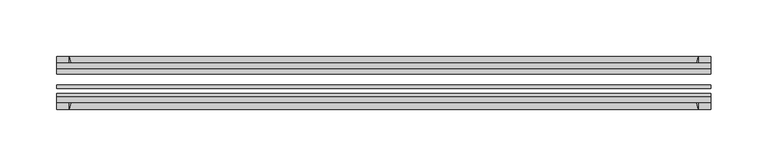
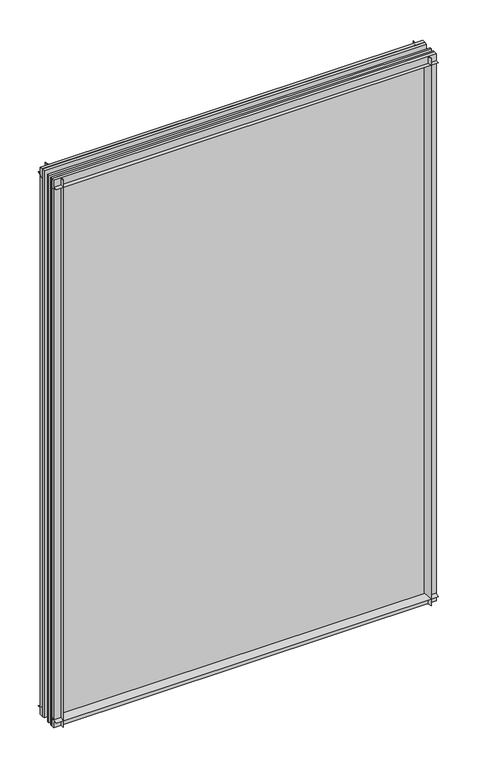
"""IFC4 building model written with IfcOpenShell, lengths in millimetres: plate geometry."""

from ifc_helpers import new_model, si_unit, point, frame, frame_2d, origin, place, context, project, spatial, polyline, circle_curve, trimmed, segment, composite_curve, outline, extrude, source, transform, mapped, element, save


def plate_185cdc49(model_context):
    return source(origin(), model_context, "Body", "SweptSolid", [
        extrude(outline(composite_curve([segment(polyline([(-74.653775, 0.0), (-80.586498, 0.0)]), True, "CONTINUOUS"), segment(trimmed(circle_curve(frame_2d((-86.2543953, 32.273404)), 32.7673262), [point((-80.586498, 0.0))], [point((-69.878575, 3.8915405))], True, "CARTESIAN"), True, "CONTINUOUS"), segment(polyline([(-69.878575, 3.8915405), (-69.878575, -10.31875), (-74.653775, -10.31875), (-74.653775, 0.0)]), True, "CONTINUOUS")], self_intersect=False)), frame((-289.71875, 0.0, 0.0), z_axis=(1.0, 0.0, 0.0), x_axis=(0.0, 1.0, 0.0)), (0.0, 0.0, 1.0), 579.4375),
        extrude(outline(composite_curve([segment(polyline([(-44.478575, -10.31875), (-44.478575, 3.8915405)]), True, "CONTINUOUS"), segment(trimmed(circle_curve(frame_2d((-28.1027547, 32.273404)), 32.7673262), [point((-44.478575, 3.8915405))], [point((-33.770652, 0.0))], True, "CARTESIAN"), True, "CONTINUOUS"), segment(polyline([(-33.770652, 0.0), (-39.703375, 0.0), (-39.703375, -10.31875), (-44.478575, -10.31875)]), True, "CONTINUOUS")], self_intersect=False)), frame((-289.71875, 0.0, 0.0), z_axis=(1.0, 0.0, 0.0), x_axis=(0.0, 1.0, 0.0)), (0.0, 0.0, 1.0), 579.4375),
        extrude(outline(composite_curve([segment(trimmed(circle_curve(frame_2d((-86.2543953, 821.795246)), 32.7673262), [point((-69.878575, 850.1771095))], [point((-80.622775, 854.075))], True, "CARTESIAN"), True, "CONTINUOUS"), segment(polyline([(-80.622775, 854.075), (-74.653775, 854.075), (-74.653775, 865.1875), (-69.878575, 865.1875), (-69.878575, 850.1771095)]), True, "CONTINUOUS")], self_intersect=False)), frame((-289.71875, 0.0, 0.0), z_axis=(1.0, 0.0, 0.0), x_axis=(0.0, 1.0, 0.0)), (0.0, 0.0, 1.0), 579.4375),
        extrude(outline(composite_curve([segment(polyline([(-44.478575, 850.1771095), (-44.478575, 865.1875), (-39.703375, 865.1875), (-39.703375, 854.075), (-33.734375, 854.075)]), True, "CONTINUOUS"), segment(trimmed(circle_curve(frame_2d((-28.1027547, 821.795246)), 32.7673262), [point((-33.734375, 854.075))], [point((-44.478575, 850.1771095))], True, "CARTESIAN"), True, "CONTINUOUS")], self_intersect=False)), frame((-289.71875, 0.0, 0.0), z_axis=(1.0, 0.0, 0.0), x_axis=(0.0, 1.0, 0.0)), (0.0, 0.0, 1.0), 579.4375),
        extrude(outline(composite_curve([segment(polyline([(274.7083595, -69.878575), (289.71875, -69.878575), (289.71875, -74.653775), (278.60625, -74.653775), (278.60625, -80.622775)]), True, "CONTINUOUS"), segment(trimmed(circle_curve(frame_2d((246.326496, -86.2543953)), 32.7673262), [point((278.60625, -80.622775))], [point((274.7083595, -69.878575))], True, "CARTESIAN"), True, "CONTINUOUS")], self_intersect=False)), frame((0.0, 0.0, -10.31875), z_axis=(0.0, 0.0, 1.0), x_axis=(1.0, 0.0, 0.0)), (0.0, 0.0, 1.0), 875.50625),
        extrude(outline(composite_curve([segment(trimmed(circle_curve(frame_2d((246.326496, -28.1027547)), 32.7673262), [point((274.7083595, -44.478575))], [point((278.60625, -33.734375))], True, "CARTESIAN"), True, "CONTINUOUS"), segment(polyline([(278.60625, -33.734375), (278.60625, -39.703375), (289.71875, -39.703375), (289.71875, -44.478575), (274.7083595, -44.478575)]), True, "CONTINUOUS")], self_intersect=False)), frame((0.0, 0.0, -10.31875), z_axis=(0.0, 0.0, 1.0), x_axis=(1.0, 0.0, 0.0)), (0.0, 0.0, 1.0), 875.50625),
        extrude(outline(composite_curve([segment(trimmed(circle_curve(frame_2d((-246.326496, -86.2543953)), 32.7673262), [point((-274.7083595, -69.878575))], [point((-278.60625, -80.622775))], True, "CARTESIAN"), True, "CONTINUOUS"), segment(polyline([(-278.60625, -80.622775), (-278.60625, -74.653775), (-289.71875, -74.653775), (-289.71875, -69.878575), (-274.7083595, -69.878575)]), True, "CONTINUOUS")], self_intersect=False)), frame((0.0, 0.0, -10.31875), z_axis=(0.0, 0.0, 1.0), x_axis=(1.0, 0.0, 0.0)), (0.0, 0.0, 1.0), 875.50625),
        extrude(outline(composite_curve([segment(polyline([(-274.7083595, -44.478575), (-289.71875, -44.478575), (-289.71875, -39.703375), (-278.60625, -39.703375), (-278.60625, -33.734375)]), True, "CONTINUOUS"), segment(trimmed(circle_curve(frame_2d((-246.326496, -28.1027547)), 32.7673262), [point((-278.60625, -33.734375))], [point((-274.7083595, -44.478575))], True, "CARTESIAN"), True, "CONTINUOUS")], self_intersect=False)), frame((0.0, 0.0, -10.31875), z_axis=(0.0, 0.0, 1.0), x_axis=(1.0, 0.0, 0.0)), (0.0, 0.0, 1.0), 875.50625),
        extrude(outline(polyline([(-289.71875, -44.478575), (289.71875, -44.478575), (289.71875, -49.241075), (-289.71875, -49.241075), (-289.71875, -44.478575)])), frame((0.0, 0.0, -10.31875), z_axis=(0.0, 0.0, 1.0), x_axis=(1.0, 0.0, 0.0)), (0.0, 0.0, 1.0), 875.50625),
        extrude(outline(polyline([(289.71875, -58.956575), (289.71875, -62.131575), (-289.71875, -62.131575), (-289.71875, -58.956575), (289.71875, -58.956575)])), frame((0.0, 0.0, -10.31875), z_axis=(0.0, 0.0, 1.0), x_axis=(1.0, 0.0, 0.0)), (0.0, 0.0, 1.0), 875.50625),
        extrude(outline(polyline([(-289.71875, -66.703575), (289.71875, -66.703575), (289.71875, -69.878575), (-289.71875, -69.878575), (-289.71875, -66.703575)])), frame((0.0, 0.0, -10.31875), z_axis=(0.0, 0.0, 1.0), x_axis=(1.0, 0.0, 0.0)), (0.0, 0.0, 1.0), 875.50625),
    ])


if __name__ == "__main__":
    model = new_model("IFC4")
    model_context = context("Model", 3, world=origin())
    ifc_project = project(units=[si_unit("LENGTHUNIT", "METRE", prefix="MILLI")], contexts=[model_context])
    site = spatial("IfcSite", under=ifc_project)
    building = spatial("IfcBuilding", under=site)
    placement = place(None, origin())
    plate_shape = plate_185cdc49(model_context)
    element("IfcPlate", 1, at=placement, inside=building, context=model_context, shape_type="MappedRepresentation", body=[
        mapped(plate_shape, transform((0.0, 0.0, 0.0), x_axis=(1.0, 0.0, 0.0), y_axis=(0.0, 1.0, 0.0), z_axis=(0.0, 0.0, 1.0))),
    ])
    save(model, "model.ifc")
